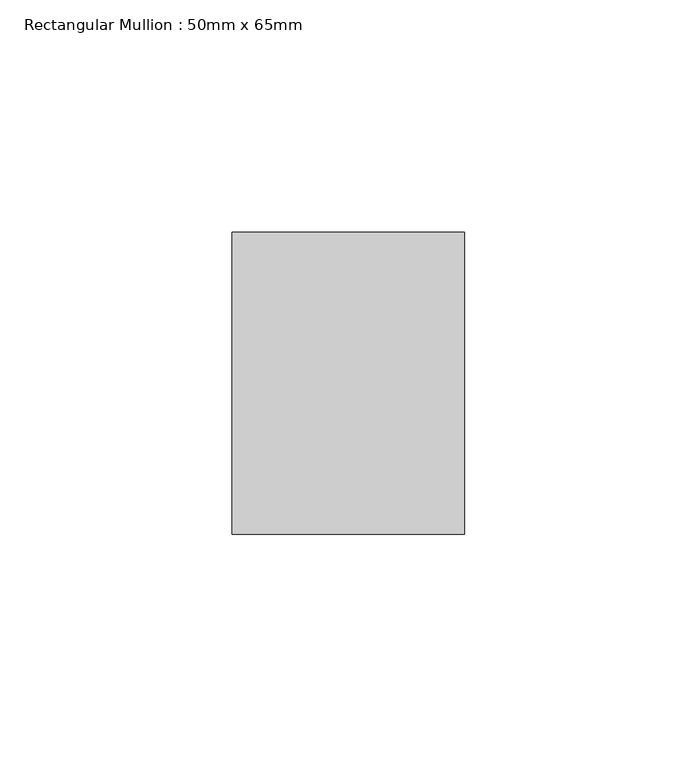
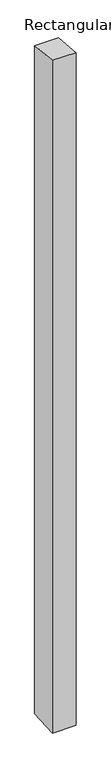
"""IFC4 building model written with IfcOpenShell, lengths in millimetres: member geometry, Rectangular Mullion : 50mm x 65mm."""

from ifc_helpers import new_model, si_unit, origin, place, context, project, spatial, faceted_brep, source, transform, mapped, element, save


def rectangular_mullion_50mm_x_65mm_64950338(model_context):
    return source(origin(), model_context, "Body", "Brep", [
        faceted_brep([(-25.0, 32.5, -3.1469355), (25.0, 32.5, -3.1469361), (25.0, 32.5, -1497.8334454), (-25.0, 32.5, -1497.8334457), (-25.0, -32.5, 3.1469361), (-25.0, -32.5, -1502.1654005), (25.0, -32.5, 3.1469355), (25.0, -32.5, -1502.1654002)], [[[0, 1, 2, 3]], [[4, 0, 3, 5]], [[6, 4, 5, 7]], [[1, 6, 7, 2]], [[1, 0, 4, 6]], [[2, 7, 5, 3]]]),
    ])


if __name__ == "__main__":
    model = new_model("IFC4")
    model_context = context("Model", 3, world=origin())
    ifc_project = project(units=[si_unit("LENGTHUNIT", "METRE", prefix="MILLI")], contexts=[model_context])
    site = spatial("IfcSite", under=ifc_project)
    building = spatial("IfcBuilding", under=site)
    placement = place(None, origin())
    rectangular_mullion_50mm_x_65mm_shape = rectangular_mullion_50mm_x_65mm_64950338(model_context)
    element("IfcMember", 1, ObjectType="Rectangular Mullion : 50mm x 65mm", at=placement, inside=building, context=model_context, shape_type="MappedRepresentation", body=[
        mapped(rectangular_mullion_50mm_x_65mm_shape, transform((0.0, 0.0, 0.0), x_axis=(1.0, 0.0, 0.0), y_axis=(0.0, 1.0, 0.0), z_axis=(0.0, 0.0, 1.0))),
    ])
    save(model, "model.ifc")
